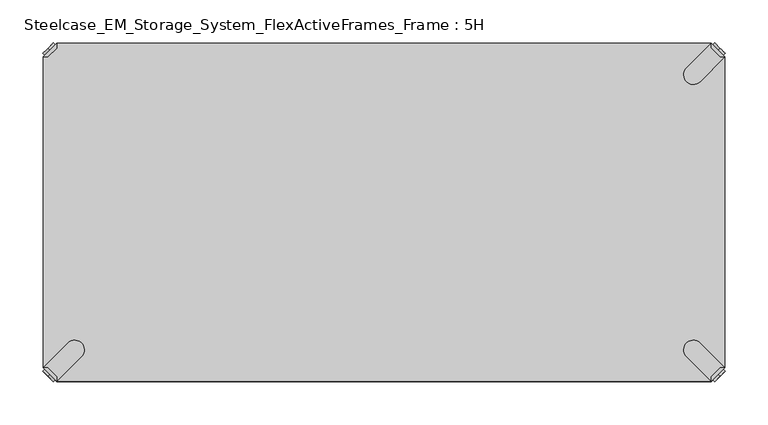
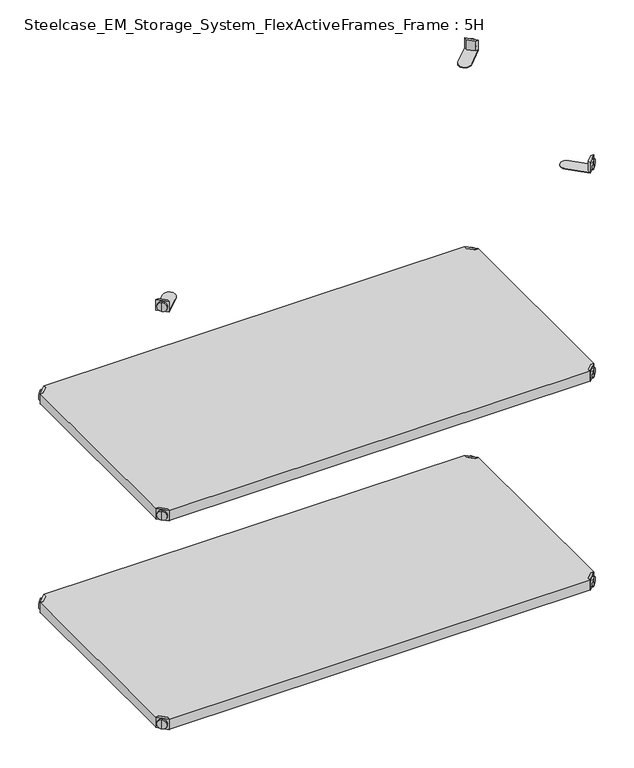
"""IFC4 building model written with IfcOpenShell, lengths in millimetres: furniture geometry, Steelcase_EM_Storage_System_FlexActiveFrames_Frame : 5H."""

from ifc_helpers import new_model, si_unit, frame, origin, place, context, project, spatial, polyline, circle_curve, outline, extrude, source, transform, mapped, element, save
from ifc_brep_helpers import plane_surface, cylinder_surface, advanced_brep


def steelcase_em_storage_system_flexactiveframes_frame_5h_38473c17(model_context):
    return source(origin(), model_context, "Body", "SolidModel", [
        advanced_brep(
        [(789.0398449, -10.9601551, 498.5), (789.0398449, -10.9601551, 507.0), (789.0398449, -10.9601551, 515.5), (791.1611652, -8.8388348, 498.5), (791.1611652, -8.8388348, 515.5), (791.1611652, -8.8388348, 507.0)],
        [
            (0, 1),
            (1, 2),
            (2, 0, circle_curve(frame((789.0398449, -10.9601551, 507.0), z_axis=(-0.7071067811865556, -0.7071067811865395, 0.0), x_axis=(0.0, 0.0, 1.0)), 8.5)),
            (0, 2, circle_curve(frame((789.0398449, -10.9601551, 507.0), z_axis=(-0.7071067811865556, -0.7071067811865395, 0.0), x_axis=(0.0, 0.0, 1.0)), 8.5)),
            (3, 0),
            (2, 4),
            (4, 3, circle_curve(frame((791.1611652, -8.8388348, 507.0), z_axis=(-0.7071067811865556, -0.7071067811865395, 0.0), x_axis=(0.0, 0.0, 1.0)), 8.5)),
            (3, 4, circle_curve(frame((791.1611652, -8.8388348, 507.0), z_axis=(-0.7071067811865556, -0.7071067811865395, 0.0), x_axis=(0.0, 0.0, 1.0)), 8.5)),
            (5, 3),
            (4, 5),
        ],
        [
            plane_surface(frame((789.0398449, -10.9601551, 507.0), z_axis=(-0.7071067811865552, -0.7071067811865399, 0.0), x_axis=(0.0, 0.0, 1.0))),
            cylinder_surface(frame((791.1611652, -8.8388348, 507.0), z_axis=(0.7071067811865556, 0.7071067811865395, 0.0), x_axis=(0.0, 0.0, 1.0)), 8.5),
            plane_surface(frame((791.1611652, -8.8388348, 507.0), z_axis=(0.7071067811865552, 0.7071067811865399, 0.0), x_axis=(0.0, 0.0, 1.0))),
        ],
        [
            (0, [[1, 2, 3]]),
            (0, [[-2, -1, 4]]),
            (1, [[5, -3, 6, 7]]),
            (1, [[-6, -4, -5, 8]]),
            (2, [[9, -7, 10]]),
            (2, [[-10, -8, -9]]),
        ],
    ),
        advanced_brep(
        [(781.0796898, -3.0, 517.0), (781.0796898, -8.6568542, 517.0), (791.3431458, -18.9203102, 517.0), (797.0, -18.9203102, 517.0), (797.0, -18.9203102, 498.0), (797.0, -18.9203102, 497.0), (781.0796898, -3.0, 497.0), (781.0796898, -3.0, 498.0), (781.0796898, -8.6568542, 498.0), (791.3431458, -18.9203102, 498.0), (752.2702923, -31.8093975, 498.0), (768.1906025, -47.7297077, 498.0), (768.1906025, -47.7297077, 497.0), (752.2702923, -31.8093975, 497.0)],
        [
            (0, 1),
            (1, 2),
            (2, 3),
            (3, 0),
            (3, 4),
            (4, 5),
            (5, 6),
            (6, 7),
            (7, 0),
            (1, 8),
            (8, 9),
            (9, 2),
            (7, 8),
            (9, 4),
            (7, 10),
            (10, 11, circle_curve(frame((760.2304474, -39.7695526, 498.0), z_axis=(0.0, 0.0, 1.0), x_axis=(-1.0, 0.0, 0.0)), 11.2573593)),
            (11, 4),
            (5, 12),
            (12, 13, circle_curve(frame((760.2304474, -39.7695526, 497.0), z_axis=(0.0, 0.0, -1.0), x_axis=(-1.0, 0.0, 0.0)), 11.2573593)),
            (13, 6),
            (11, 12),
            (10, 13),
        ],
        [
            plane_surface(frame((838.8756299, -60.7959401, 517.0), z_axis=(0.0, 0.0, 1.0000000000000002), x_axis=(0.7071067811865465, -0.7071067811865487, 0.0))),
            plane_surface(frame((781.0796898, -3.0, 517.0), z_axis=(0.7071067811865487, 0.7071067811865465, 0.0), x_axis=(0.0, 0.0, -1.0))),
            plane_surface(frame((791.3431458, -18.9203102, 517.0), z_axis=(-0.7071067811865573, -0.7071067811865377, 0.0), x_axis=(0.0, 0.0, -1.0))),
            plane_surface(frame((781.0796898, -8.6568542, 517.0), z_axis=(-1.0, 0.0, 0.0), x_axis=(0.0, 0.0, -1.0))),
            plane_surface(frame((797.0, -18.9203102, 517.0), z_axis=(0.0, -1.0, 0.0), x_axis=(0.0, 0.0, -1.0))),
            plane_surface(frame((797.0, -18.9203102, 498.0), z_axis=(0.0, 0.0, 1.0), x_axis=(0.7071067811865392, -0.7071067811865558, 0.0))),
            plane_surface(frame((797.0, -18.9203102, 497.0), z_axis=(0.0, 0.0, -1.0), x_axis=(-0.7071067811865392, 0.7071067811865558, 0.0))),
            plane_surface(frame((797.0, -18.9203102, 498.0), z_axis=(0.7071067811865399, -0.7071067811865552, 0.0), x_axis=(0.0, 0.0, -1.0))),
            cylinder_surface(frame((760.2304474, -39.7695526, 497.0), z_axis=(0.0, 0.0, 1.0), x_axis=(-1.0, 0.0, 0.0)), 11.2573593),
            plane_surface(frame((752.2702923, -31.8093975, 498.0), z_axis=(-0.7071067811865388, 0.7071067811865563, 0.0), x_axis=(0.0, 0.0, -1.0))),
        ],
        [
            (0, [[1, 2, 3, 4]]),
            (1, [[5, 6, 7, 8, 9, -4]]),
            (2, [[10, 11, 12, -2]]),
            (3, [[-9, 13, -10, -1]]),
            (4, [[-12, 14, -5, -3]]),
            (5, [[-14, -11, -13, 15, 16, 17]]),
            (6, [[-7, 18, 19, 20]]),
            (7, [[21, -18, -6, -17]]),
            (8, [[22, -19, -21, -16]]),
            (9, [[-8, -20, -22, -15]]),
        ],
    ),
        advanced_brep(
        [(789.0398449, -389.0398449, 498.5), (789.0398449, -389.0398449, 515.5), (789.0398449, -389.0398449, 507.0), (791.1611652, -391.1611652, 498.5), (791.1611652, -391.1611652, 515.5), (791.1611652, -391.1611652, 507.0)],
        [
            (0, 1, circle_curve(frame((789.0398449, -389.0398449, 507.0), z_axis=(-0.7071067811865509, 0.7071067811865441, 0.0), x_axis=(0.0, 0.0, 1.0)), 8.5)),
            (1, 2),
            (2, 0),
            (1, 0, circle_curve(frame((789.0398449, -389.0398449, 507.0), z_axis=(-0.7071067811865509, 0.7071067811865441, 0.0), x_axis=(0.0, 0.0, 1.0)), 8.5)),
            (3, 4, circle_curve(frame((791.1611652, -391.1611652, 507.0), z_axis=(-0.7071067811865509, 0.7071067811865441, 0.0), x_axis=(0.0, 0.0, 1.0)), 8.5)),
            (4, 1),
            (0, 3),
            (4, 3, circle_curve(frame((791.1611652, -391.1611652, 507.0), z_axis=(-0.7071067811865509, 0.7071067811865441, 0.0), x_axis=(0.0, 0.0, 1.0)), 8.5)),
            (5, 4),
            (3, 5),
        ],
        [
            plane_surface(frame((789.0398449, -389.0398449, 507.0), z_axis=(-0.7071067811865506, 0.7071067811865446, 0.0), x_axis=(0.0, 0.0, 1.0))),
            cylinder_surface(frame((791.1611652, -391.1611652, 507.0), z_axis=(0.7071067811865509, -0.7071067811865441, 0.0), x_axis=(0.0, 0.0, 1.0)), 8.5),
            plane_surface(frame((791.1611652, -391.1611652, 507.0), z_axis=(0.7071067811865506, -0.7071067811865446, 0.0), x_axis=(0.0, 0.0, 1.0))),
        ],
        [
            (0, [[1, 2, 3]]),
            (0, [[4, -3, -2]]),
            (1, [[5, 6, -1, 7]]),
            (1, [[8, -7, -4, -6]]),
            (2, [[9, -5, 10]]),
            (2, [[-10, -8, -9]]),
        ],
    ),
        advanced_brep(
        [(781.0796898, -397.0, 517.0), (797.0, -381.0796898, 517.0), (791.3431458, -381.0796898, 517.0), (781.0796898, -391.3431458, 517.0), (781.0796898, -397.0, 498.0), (781.0796898, -397.0, 497.0), (797.0, -381.0796898, 497.0), (797.0, -381.0796898, 498.0), (791.3431458, -381.0796898, 498.0), (781.0796898, -391.3431458, 498.0), (768.1906025, -352.2702923, 498.0), (752.2702923, -368.1906025, 498.0), (752.2702923, -368.1906025, 497.0), (768.1906025, -352.2702923, 497.0)],
        [
            (0, 1),
            (1, 2),
            (2, 3),
            (3, 0),
            (0, 4),
            (4, 5),
            (5, 6),
            (6, 7),
            (7, 1),
            (2, 8),
            (8, 9),
            (9, 3),
            (9, 4),
            (7, 8),
            (7, 10),
            (10, 11, circle_curve(frame((760.2304474, -360.2304474, 498.0), z_axis=(0.0, 0.0, 1.0), x_axis=(-1.0, 0.0, 0.0)), 11.2573593)),
            (11, 4),
            (5, 12),
            (12, 13, circle_curve(frame((760.2304474, -360.2304474, 497.0), z_axis=(0.0, 0.0, -1.0), x_axis=(-1.0, 0.0, 0.0)), 11.2573593)),
            (13, 6),
            (13, 10),
            (12, 11),
        ],
        [
            plane_surface(frame((838.8756299, -339.2040599, 517.0), z_axis=(0.0, 0.0, 1.0000000000000002), x_axis=(0.7071067811865511, 0.707106781186544, 0.0))),
            plane_surface(frame((781.0796898, -397.0, 517.0), z_axis=(0.707106781186544, -0.7071067811865511, 0.0), x_axis=(0.0, 0.0, -1.0))),
            plane_surface(frame((791.3431458, -381.0796898, 517.0), z_axis=(-0.7071067811865527, 0.7071067811865424, 0.0), x_axis=(0.0, 0.0, -1.0))),
            plane_surface(frame((781.0796898, -391.3431458, 517.0), z_axis=(-1.0, 0.0, 0.0), x_axis=(0.0, 0.0, -1.0))),
            plane_surface(frame((797.0, -381.0796898, 517.0), z_axis=(0.0, 1.0, 0.0), x_axis=(0.0, 0.0, -1.0))),
            plane_surface(frame((797.0, -381.0796898, 498.0), z_axis=(0.0, 0.0, 1.0), x_axis=(0.7071067811865439, 0.7071067811865511, 0.0))),
            plane_surface(frame((797.0, -381.0796898, 497.0), z_axis=(0.0, 0.0, -1.0), x_axis=(-0.7071067811865439, -0.7071067811865511, 0.0))),
            plane_surface(frame((797.0, -381.0796898, 498.0), z_axis=(0.7071067811865446, 0.7071067811865506, 0.0), x_axis=(0.0, 0.0, -1.0))),
            cylinder_surface(frame((760.2304474, -360.2304474, 497.0), z_axis=(0.0, 0.0, 1.0), x_axis=(-1.0, 0.0, 0.0)), 11.2573593),
            plane_surface(frame((752.2702923, -368.1906025, 498.0), z_axis=(-0.7071067811865435, -0.7071067811865517, 0.0), x_axis=(0.0, 0.0, -1.0))),
        ],
        [
            (0, [[1, 2, 3, 4]]),
            (1, [[-1, 5, 6, 7, 8, 9]]),
            (2, [[-3, 10, 11, 12]]),
            (3, [[-4, -12, 13, -5]]),
            (4, [[-2, -9, 14, -10]]),
            (5, [[15, 16, 17, -13, -11, -14]]),
            (6, [[18, 19, 20, -7]]),
            (7, [[-15, -8, -20, 21]]),
            (8, [[-16, -21, -19, 22]]),
            (9, [[-17, -22, -18, -6]]),
        ],
    ),
        advanced_brep(
        [(10.9601551, -389.0398449, 498.5), (10.9601551, -389.0398449, 507.0), (10.9601551, -389.0398449, 515.5), (8.8388348, -391.1611652, 498.5), (8.8388348, -391.1611652, 515.5), (8.8388348, -391.1611652, 507.0)],
        [
            (0, 1),
            (1, 2),
            (2, 0, circle_curve(frame((10.9601551, -389.0398449, 507.0), z_axis=(0.7071067811865509, 0.7071067811865441, 0.0), x_axis=(0.0, 0.0, 1.0)), 8.5)),
            (0, 2, circle_curve(frame((10.9601551, -389.0398449, 507.0), z_axis=(0.7071067811865509, 0.7071067811865441, 0.0), x_axis=(0.0, 0.0, 1.0)), 8.5)),
            (3, 0),
            (2, 4),
            (4, 3, circle_curve(frame((8.8388348, -391.1611652, 507.0), z_axis=(0.7071067811865509, 0.7071067811865441, 0.0), x_axis=(0.0, 0.0, 1.0)), 8.5)),
            (3, 4, circle_curve(frame((8.8388348, -391.1611652, 507.0), z_axis=(0.7071067811865509, 0.7071067811865441, 0.0), x_axis=(0.0, 0.0, 1.0)), 8.5)),
            (5, 3),
            (4, 5),
        ],
        [
            plane_surface(frame((10.9601551, -389.0398449, 507.0), z_axis=(0.7071067811865506, 0.7071067811865446, 0.0), x_axis=(0.0, 0.0, 1.0))),
            cylinder_surface(frame((8.8388348, -391.1611652, 507.0), z_axis=(-0.7071067811865509, -0.7071067811865441, 0.0), x_axis=(0.0, 0.0, 1.0)), 8.5),
            plane_surface(frame((8.8388348, -391.1611652, 507.0), z_axis=(-0.7071067811865506, -0.7071067811865446, 0.0), x_axis=(0.0, 0.0, 1.0))),
        ],
        [
            (0, [[1, 2, 3]]),
            (0, [[-2, -1, 4]]),
            (1, [[5, -3, 6, 7]]),
            (1, [[-6, -4, -5, 8]]),
            (2, [[9, -7, 10]]),
            (2, [[-10, -8, -9]]),
        ],
    ),
        advanced_brep(
        [(18.9203102, -397.0, 517.0), (18.9203102, -391.3431458, 517.0), (8.6568542, -381.0796898, 517.0), (3.0, -381.0796898, 517.0), (3.0, -381.0796898, 498.0), (3.0, -381.0796898, 497.0), (18.9203102, -397.0, 497.0), (18.9203102, -397.0, 498.0), (18.9203102, -391.3431458, 498.0), (8.6568542, -381.0796898, 498.0), (47.7297077, -368.1906025, 498.0), (31.8093975, -352.2702923, 498.0), (31.8093975, -352.2702923, 497.0), (47.7297077, -368.1906025, 497.0)],
        [
            (0, 1),
            (1, 2),
            (2, 3),
            (3, 0),
            (3, 4),
            (4, 5),
            (5, 6),
            (6, 7),
            (7, 0),
            (1, 8),
            (8, 9),
            (9, 2),
            (7, 8),
            (9, 4),
            (7, 10),
            (10, 11, circle_curve(frame((39.7695526, -360.2304474, 498.0), z_axis=(0.0, 0.0, 1.0), x_axis=(1.0, 0.0, 0.0)), 11.2573593)),
            (11, 4),
            (5, 12),
            (12, 13, circle_curve(frame((39.7695526, -360.2304474, 497.0), z_axis=(0.0, 0.0, -1.0), x_axis=(1.0, 0.0, 0.0)), 11.2573593)),
            (13, 6),
            (11, 12),
            (10, 13),
        ],
        [
            plane_surface(frame((-38.8756299, -339.2040599, 517.0), z_axis=(0.0, 0.0, 1.0000000000000002), x_axis=(-0.7071067811865511, 0.707106781186544, 0.0))),
            plane_surface(frame((18.9203102, -397.0, 517.0), z_axis=(-0.707106781186544, -0.7071067811865511, 0.0), x_axis=(0.0, 0.0, -1.0))),
            plane_surface(frame((8.6568542, -381.0796898, 517.0), z_axis=(0.7071067811865527, 0.7071067811865424, 0.0), x_axis=(0.0, 0.0, -1.0))),
            plane_surface(frame((18.9203102, -391.3431458, 517.0), z_axis=(1.0, 0.0, 0.0), x_axis=(0.0, 0.0, -1.0))),
            plane_surface(frame((3.0, -381.0796898, 517.0), z_axis=(0.0, 1.0, 0.0), x_axis=(0.0, 0.0, -1.0))),
            plane_surface(frame((3.0, -381.0796898, 498.0), z_axis=(0.0, 0.0, 1.0), x_axis=(-0.7071067811865439, 0.7071067811865511, 0.0))),
            plane_surface(frame((3.0, -381.0796898, 497.0), z_axis=(0.0, 0.0, -1.0), x_axis=(0.7071067811865439, -0.7071067811865511, 0.0))),
            plane_surface(frame((3.0, -381.0796898, 498.0), z_axis=(-0.7071067811865446, 0.7071067811865506, 0.0), x_axis=(0.0, 0.0, -1.0))),
            cylinder_surface(frame((39.7695526, -360.2304474, 497.0), z_axis=(0.0, 0.0, 1.0), x_axis=(1.0, 0.0, 0.0)), 11.2573593),
            plane_surface(frame((47.7297077, -368.1906025, 498.0), z_axis=(0.7071067811865435, -0.7071067811865517, 0.0), x_axis=(0.0, 0.0, -1.0))),
        ],
        [
            (0, [[1, 2, 3, 4]]),
            (1, [[5, 6, 7, 8, 9, -4]]),
            (2, [[10, 11, 12, -2]]),
            (3, [[-9, 13, -10, -1]]),
            (4, [[-12, 14, -5, -3]]),
            (5, [[-14, -11, -13, 15, 16, 17]]),
            (6, [[-7, 18, 19, 20]]),
            (7, [[21, -18, -6, -17]]),
            (8, [[22, -19, -21, -16]]),
            (9, [[-8, -20, -22, -15]]),
        ],
    ),
        advanced_brep(
        [(10.9601551, -10.9601551, 498.5), (10.9601551, -10.9601551, 515.5), (10.9601551, -10.9601551, 507.0), (8.8388348, -8.8388348, 498.5), (8.8388348, -8.8388348, 515.5), (8.8388348, -8.8388348, 507.0)],
        [
            (0, 1, circle_curve(frame((10.9601551, -10.9601551, 507.0), z_axis=(0.7071067811865464, -0.7071067811865487, 0.0), x_axis=(0.0, 0.0, 1.0)), 8.5)),
            (1, 2),
            (2, 0),
            (1, 0, circle_curve(frame((10.9601551, -10.9601551, 507.0), z_axis=(0.7071067811865464, -0.7071067811865487, 0.0), x_axis=(0.0, 0.0, 1.0)), 8.5)),
            (3, 4, circle_curve(frame((8.8388348, -8.8388348, 507.0), z_axis=(0.7071067811865464, -0.7071067811865487, 0.0), x_axis=(0.0, 0.0, 1.0)), 8.5)),
            (4, 1),
            (0, 3),
            (4, 3, circle_curve(frame((8.8388348, -8.8388348, 507.0), z_axis=(0.7071067811865464, -0.7071067811865487, 0.0), x_axis=(0.0, 0.0, 1.0)), 8.5)),
            (5, 4),
            (3, 5),
        ],
        [
            plane_surface(frame((10.9601551, -10.9601551, 507.0), z_axis=(0.707106781186546, -0.7071067811865491, 0.0), x_axis=(0.0, 0.0, 1.0))),
            cylinder_surface(frame((8.8388348, -8.8388348, 507.0), z_axis=(-0.7071067811865464, 0.7071067811865487, 0.0), x_axis=(0.0, 0.0, 1.0)), 8.5),
            plane_surface(frame((8.8388348, -8.8388348, 507.0), z_axis=(-0.707106781186546, 0.7071067811865491, 0.0), x_axis=(0.0, 0.0, 1.0))),
        ],
        [
            (0, [[1, 2, 3]]),
            (0, [[4, -3, -2]]),
            (1, [[5, 6, -1, 7]]),
            (1, [[8, -7, -4, -6]]),
            (2, [[9, -5, 10]]),
            (2, [[-10, -8, -9]]),
        ],
    ),
        advanced_brep(
        [(18.9203102, -3.0, 517.0), (3.0, -18.9203102, 517.0), (8.6568542, -18.9203102, 517.0), (18.9203102, -8.6568542, 517.0), (18.9203102, -3.0, 498.0), (18.9203102, -3.0, 497.0), (3.0, -18.9203102, 497.0), (3.0, -18.9203102, 498.0), (8.6568542, -18.9203102, 498.0), (18.9203102, -8.6568542, 498.0), (31.8093975, -47.7297077, 498.0), (47.7297077, -31.8093975, 498.0), (47.7297077, -31.8093975, 497.0), (31.8093975, -47.7297077, 497.0)],
        [
            (0, 1),
            (1, 2),
            (2, 3),
            (3, 0),
            (0, 4),
            (4, 5),
            (5, 6),
            (6, 7),
            (7, 1),
            (2, 8),
            (8, 9),
            (9, 3),
            (9, 4),
            (7, 8),
            (7, 10),
            (10, 11, circle_curve(frame((39.7695526, -39.7695526, 498.0), z_axis=(0.0, 0.0, 1.0), x_axis=(1.0, 0.0, 0.0)), 11.2573593)),
            (11, 4),
            (5, 12),
            (12, 13, circle_curve(frame((39.7695526, -39.7695526, 497.0), z_axis=(0.0, 0.0, -1.0), x_axis=(1.0, 0.0, 0.0)), 11.2573593)),
            (13, 6),
            (13, 10),
            (12, 11),
        ],
        [
            plane_surface(frame((-38.8756299, -60.7959401, 517.0), z_axis=(0.0, 0.0, 1.0000000000000002), x_axis=(-0.7071067811865557, -0.7071067811865395, 0.0))),
            plane_surface(frame((18.9203102, -3.0, 517.0), z_axis=(-0.7071067811865395, 0.7071067811865557, 0.0), x_axis=(0.0, 0.0, -1.0))),
            plane_surface(frame((8.6568542, -18.9203102, 517.0), z_axis=(0.7071067811865481, -0.7071067811865469, 0.0), x_axis=(0.0, 0.0, -1.0))),
            plane_surface(frame((18.9203102, -8.6568542, 517.0), z_axis=(1.0, 0.0, 0.0), x_axis=(0.0, 0.0, -1.0))),
            plane_surface(frame((3.0, -18.9203102, 517.0), z_axis=(0.0, -1.0, 0.0), x_axis=(0.0, 0.0, -1.0))),
            plane_surface(frame((3.0, -18.9203102, 498.0), z_axis=(0.0, 0.0, 1.0), x_axis=(-0.7071067811865485, -0.7071067811865466, 0.0))),
            plane_surface(frame((3.0, -18.9203102, 497.0), z_axis=(0.0, 0.0, -1.0), x_axis=(0.7071067811865485, 0.7071067811865466, 0.0))),
            plane_surface(frame((3.0, -18.9203102, 498.0), z_axis=(-0.7071067811865491, -0.707106781186546, 0.0), x_axis=(0.0, 0.0, -1.0))),
            cylinder_surface(frame((39.7695526, -39.7695526, 497.0), z_axis=(0.0, 0.0, 1.0), x_axis=(1.0, 0.0, 0.0)), 11.2573593),
            plane_surface(frame((47.7297077, -31.8093975, 498.0), z_axis=(0.707106781186548, 0.7071067811865471, 0.0), x_axis=(0.0, 0.0, -1.0))),
        ],
        [
            (0, [[1, 2, 3, 4]]),
            (1, [[-1, 5, 6, 7, 8, 9]]),
            (2, [[-3, 10, 11, 12]]),
            (3, [[-4, -12, 13, -5]]),
            (4, [[-2, -9, 14, -10]]),
            (5, [[15, 16, 17, -13, -11, -14]]),
            (6, [[18, 19, 20, -7]]),
            (7, [[-15, -8, -20, 21]]),
            (8, [[-16, -21, -19, 22]]),
            (9, [[-17, -22, -18, -6]]),
        ],
    ),
        extrude(outline(polyline([(781.0796898, -3.0), (781.0796898, -8.6568542), (791.3431458, -18.9203102), (797.0, -18.9203102), (797.0, -381.0796898), (791.3431458, -381.0796898), (781.0796898, -391.3431458), (781.0796898, -397.0), (18.9203102, -397.0), (18.9203102, -391.3431458), (8.6568542, -381.0796898), (3.0, -381.0796898), (3.0, -18.9203102), (8.6568542, -18.9203102), (18.9203102, -8.6568542), (18.9203102, -3.0), (781.0796898, -3.0)])), frame((0.0, 0.0, 498.0), z_axis=(0.0, 0.0, 1.0), x_axis=(1.0, 0.0, 0.0)), (0.0, 0.0, 1.0), 19.0),
        advanced_brep(
        [(789.0398449, -10.9601551, 898.5), (789.0398449, -10.9601551, 907.0), (789.0398449, -10.9601551, 915.5), (791.1611652, -8.8388348, 898.5), (791.1611652, -8.8388348, 915.5), (791.1611652, -8.8388348, 907.0)],
        [
            (0, 1),
            (1, 2),
            (2, 0, circle_curve(frame((789.0398449, -10.9601551, 907.0), z_axis=(-0.7071067811865556, -0.7071067811865395, 0.0), x_axis=(0.0, 0.0, 1.0)), 8.5)),
            (0, 2, circle_curve(frame((789.0398449, -10.9601551, 907.0), z_axis=(-0.7071067811865556, -0.7071067811865395, 0.0), x_axis=(0.0, 0.0, 1.0)), 8.5)),
            (3, 0),
            (2, 4),
            (4, 3, circle_curve(frame((791.1611652, -8.8388348, 907.0), z_axis=(-0.7071067811865556, -0.7071067811865395, 0.0), x_axis=(0.0, 0.0, 1.0)), 8.5)),
            (3, 4, circle_curve(frame((791.1611652, -8.8388348, 907.0), z_axis=(-0.7071067811865556, -0.7071067811865395, 0.0), x_axis=(0.0, 0.0, 1.0)), 8.5)),
            (5, 3),
            (4, 5),
        ],
        [
            plane_surface(frame((789.0398449, -10.9601551, 907.0), z_axis=(-0.7071067811865552, -0.7071067811865399, 0.0), x_axis=(0.0, 0.0, 1.0))),
            cylinder_surface(frame((791.1611652, -8.8388348, 907.0), z_axis=(0.7071067811865556, 0.7071067811865395, 0.0), x_axis=(0.0, 0.0, 1.0)), 8.5),
            plane_surface(frame((791.1611652, -8.8388348, 907.0), z_axis=(0.7071067811865552, 0.7071067811865399, 0.0), x_axis=(0.0, 0.0, 1.0))),
        ],
        [
            (0, [[1, 2, 3]]),
            (0, [[-2, -1, 4]]),
            (1, [[5, -3, 6, 7]]),
            (1, [[-6, -4, -5, 8]]),
            (2, [[9, -7, 10]]),
            (2, [[-10, -8, -9]]),
        ],
    ),
        advanced_brep(
        [(781.0796898, -3.0, 917.0), (781.0796898, -8.6568542, 917.0), (791.3431458, -18.9203102, 917.0), (797.0, -18.9203102, 917.0), (797.0, -18.9203102, 898.0), (797.0, -18.9203102, 897.0), (781.0796898, -3.0, 897.0), (781.0796898, -3.0, 898.0), (781.0796898, -8.6568542, 898.0), (791.3431458, -18.9203102, 898.0), (752.2702923, -31.8093975, 898.0), (768.1906025, -47.7297077, 898.0), (768.1906025, -47.7297077, 897.0), (752.2702923, -31.8093975, 897.0)],
        [
            (0, 1),
            (1, 2),
            (2, 3),
            (3, 0),
            (3, 4),
            (4, 5),
            (5, 6),
            (6, 7),
            (7, 0),
            (1, 8),
            (8, 9),
            (9, 2),
            (7, 8),
            (9, 4),
            (7, 10),
            (10, 11, circle_curve(frame((760.2304474, -39.7695526, 898.0), z_axis=(0.0, 0.0, 1.0), x_axis=(-1.0, 0.0, 0.0)), 11.2573593)),
            (11, 4),
            (5, 12),
            (12, 13, circle_curve(frame((760.2304474, -39.7695526, 897.0), z_axis=(0.0, 0.0, -1.0), x_axis=(-1.0, 0.0, 0.0)), 11.2573593)),
            (13, 6),
            (11, 12),
            (10, 13),
        ],
        [
            plane_surface(frame((838.8756299, -60.7959401, 917.0), z_axis=(0.0, 0.0, 1.0000000000000002), x_axis=(0.7071067811865465, -0.7071067811865487, 0.0))),
            plane_surface(frame((781.0796898, -3.0, 917.0), z_axis=(0.7071067811865487, 0.7071067811865465, 0.0), x_axis=(0.0, 0.0, -1.0))),
            plane_surface(frame((791.3431458, -18.9203102, 917.0), z_axis=(-0.7071067811865573, -0.7071067811865377, 0.0), x_axis=(0.0, 0.0, -1.0))),
            plane_surface(frame((781.0796898, -8.6568542, 917.0), z_axis=(-1.0, 0.0, 0.0), x_axis=(0.0, 0.0, -1.0))),
            plane_surface(frame((797.0, -18.9203102, 917.0), z_axis=(0.0, -1.0, 0.0), x_axis=(0.0, 0.0, -1.0))),
            plane_surface(frame((797.0, -18.9203102, 898.0), z_axis=(0.0, 0.0, 1.0), x_axis=(0.7071067811865392, -0.7071067811865558, 0.0))),
            plane_surface(frame((797.0, -18.9203102, 897.0), z_axis=(0.0, 0.0, -1.0), x_axis=(-0.7071067811865392, 0.7071067811865558, 0.0))),
            plane_surface(frame((797.0, -18.9203102, 898.0), z_axis=(0.7071067811865399, -0.7071067811865552, 0.0), x_axis=(0.0, 0.0, -1.0))),
            cylinder_surface(frame((760.2304474, -39.7695526, 897.0), z_axis=(0.0, 0.0, 1.0), x_axis=(-1.0, 0.0, 0.0)), 11.2573593),
            plane_surface(frame((752.2702923, -31.8093975, 898.0), z_axis=(-0.7071067811865388, 0.7071067811865563, 0.0), x_axis=(0.0, 0.0, -1.0))),
        ],
        [
            (0, [[1, 2, 3, 4]]),
            (1, [[5, 6, 7, 8, 9, -4]]),
            (2, [[10, 11, 12, -2]]),
            (3, [[-9, 13, -10, -1]]),
            (4, [[-12, 14, -5, -3]]),
            (5, [[-14, -11, -13, 15, 16, 17]]),
            (6, [[-7, 18, 19, 20]]),
            (7, [[21, -18, -6, -17]]),
            (8, [[22, -19, -21, -16]]),
            (9, [[-8, -20, -22, -15]]),
        ],
    ),
        advanced_brep(
        [(789.0398449, -389.0398449, 898.5), (789.0398449, -389.0398449, 915.5), (789.0398449, -389.0398449, 907.0), (791.1611652, -391.1611652, 898.5), (791.1611652, -391.1611652, 915.5), (791.1611652, -391.1611652, 907.0)],
        [
            (0, 1, circle_curve(frame((789.0398449, -389.0398449, 907.0), z_axis=(-0.7071067811865509, 0.7071067811865441, 0.0), x_axis=(0.0, 0.0, 1.0)), 8.5)),
            (1, 2),
            (2, 0),
            (1, 0, circle_curve(frame((789.0398449, -389.0398449, 907.0), z_axis=(-0.7071067811865509, 0.7071067811865441, 0.0), x_axis=(0.0, 0.0, 1.0)), 8.5)),
            (3, 4, circle_curve(frame((791.1611652, -391.1611652, 907.0), z_axis=(-0.7071067811865509, 0.7071067811865441, 0.0), x_axis=(0.0, 0.0, 1.0)), 8.5)),
            (4, 1),
            (0, 3),
            (4, 3, circle_curve(frame((791.1611652, -391.1611652, 907.0), z_axis=(-0.7071067811865509, 0.7071067811865441, 0.0), x_axis=(0.0, 0.0, 1.0)), 8.5)),
            (5, 4),
            (3, 5),
        ],
        [
            plane_surface(frame((789.0398449, -389.0398449, 907.0), z_axis=(-0.7071067811865506, 0.7071067811865446, 0.0), x_axis=(0.0, 0.0, 1.0))),
            cylinder_surface(frame((791.1611652, -391.1611652, 907.0), z_axis=(0.7071067811865509, -0.7071067811865441, 0.0), x_axis=(0.0, 0.0, 1.0)), 8.5),
            plane_surface(frame((791.1611652, -391.1611652, 907.0), z_axis=(0.7071067811865506, -0.7071067811865446, 0.0), x_axis=(0.0, 0.0, 1.0))),
        ],
        [
            (0, [[1, 2, 3]]),
            (0, [[4, -3, -2]]),
            (1, [[5, 6, -1, 7]]),
            (1, [[8, -7, -4, -6]]),
            (2, [[9, -5, 10]]),
            (2, [[-10, -8, -9]]),
        ],
    ),
        advanced_brep(
        [(781.0796898, -397.0, 917.0), (797.0, -381.0796898, 917.0), (791.3431458, -381.0796898, 917.0), (781.0796898, -391.3431458, 917.0), (781.0796898, -397.0, 898.0), (781.0796898, -397.0, 897.0), (797.0, -381.0796898, 897.0), (797.0, -381.0796898, 898.0), (791.3431458, -381.0796898, 898.0), (781.0796898, -391.3431458, 898.0), (768.1906025, -352.2702923, 898.0), (752.2702923, -368.1906025, 898.0), (752.2702923, -368.1906025, 897.0), (768.1906025, -352.2702923, 897.0)],
        [
            (0, 1),
            (1, 2),
            (2, 3),
            (3, 0),
            (0, 4),
            (4, 5),
            (5, 6),
            (6, 7),
            (7, 1),
            (2, 8),
            (8, 9),
            (9, 3),
            (9, 4),
            (7, 8),
            (7, 10),
            (10, 11, circle_curve(frame((760.2304474, -360.2304474, 898.0), z_axis=(0.0, 0.0, 1.0), x_axis=(-1.0, 0.0, 0.0)), 11.2573593)),
            (11, 4),
            (5, 12),
            (12, 13, circle_curve(frame((760.2304474, -360.2304474, 897.0), z_axis=(0.0, 0.0, -1.0), x_axis=(-1.0, 0.0, 0.0)), 11.2573593)),
            (13, 6),
            (13, 10),
            (12, 11),
        ],
        [
            plane_surface(frame((838.8756299, -339.2040599, 917.0), z_axis=(0.0, 0.0, 1.0000000000000002), x_axis=(0.7071067811865511, 0.707106781186544, 0.0))),
            plane_surface(frame((781.0796898, -397.0, 917.0), z_axis=(0.707106781186544, -0.7071067811865511, 0.0), x_axis=(0.0, 0.0, -1.0))),
            plane_surface(frame((791.3431458, -381.0796898, 917.0), z_axis=(-0.7071067811865527, 0.7071067811865424, 0.0), x_axis=(0.0, 0.0, -1.0))),
            plane_surface(frame((781.0796898, -391.3431458, 917.0), z_axis=(-1.0, 0.0, 0.0), x_axis=(0.0, 0.0, -1.0))),
            plane_surface(frame((797.0, -381.0796898, 917.0), z_axis=(0.0, 1.0, 0.0), x_axis=(0.0, 0.0, -1.0))),
            plane_surface(frame((797.0, -381.0796898, 898.0), z_axis=(0.0, 0.0, 1.0), x_axis=(0.7071067811865439, 0.7071067811865511, 0.0))),
            plane_surface(frame((797.0, -381.0796898, 897.0), z_axis=(0.0, 0.0, -1.0), x_axis=(-0.7071067811865439, -0.7071067811865511, 0.0))),
            plane_surface(frame((797.0, -381.0796898, 898.0), z_axis=(0.7071067811865446, 0.7071067811865506, 0.0), x_axis=(0.0, 0.0, -1.0))),
            cylinder_surface(frame((760.2304474, -360.2304474, 897.0), z_axis=(0.0, 0.0, 1.0), x_axis=(-1.0, 0.0, 0.0)), 11.2573593),
            plane_surface(frame((752.2702923, -368.1906025, 898.0), z_axis=(-0.7071067811865435, -0.7071067811865517, 0.0), x_axis=(0.0, 0.0, -1.0))),
        ],
        [
            (0, [[1, 2, 3, 4]]),
            (1, [[-1, 5, 6, 7, 8, 9]]),
            (2, [[-3, 10, 11, 12]]),
            (3, [[-4, -12, 13, -5]]),
            (4, [[-2, -9, 14, -10]]),
            (5, [[15, 16, 17, -13, -11, -14]]),
            (6, [[18, 19, 20, -7]]),
            (7, [[-15, -8, -20, 21]]),
            (8, [[-16, -21, -19, 22]]),
            (9, [[-17, -22, -18, -6]]),
        ],
    ),
        advanced_brep(
        [(10.9601551, -389.0398449, 898.5), (10.9601551, -389.0398449, 907.0), (10.9601551, -389.0398449, 915.5), (8.8388348, -391.1611652, 898.5), (8.8388348, -391.1611652, 915.5), (8.8388348, -391.1611652, 907.0)],
        [
            (0, 1),
            (1, 2),
            (2, 0, circle_curve(frame((10.9601551, -389.0398449, 907.0), z_axis=(0.7071067811865509, 0.7071067811865441, 0.0), x_axis=(0.0, 0.0, 1.0)), 8.5)),
            (0, 2, circle_curve(frame((10.9601551, -389.0398449, 907.0), z_axis=(0.7071067811865509, 0.7071067811865441, 0.0), x_axis=(0.0, 0.0, 1.0)), 8.5)),
            (3, 0),
            (2, 4),
            (4, 3, circle_curve(frame((8.8388348, -391.1611652, 907.0), z_axis=(0.7071067811865509, 0.7071067811865441, 0.0), x_axis=(0.0, 0.0, 1.0)), 8.5)),
            (3, 4, circle_curve(frame((8.8388348, -391.1611652, 907.0), z_axis=(0.7071067811865509, 0.7071067811865441, 0.0), x_axis=(0.0, 0.0, 1.0)), 8.5)),
            (5, 3),
            (4, 5),
        ],
        [
            plane_surface(frame((10.9601551, -389.0398449, 907.0), z_axis=(0.7071067811865506, 0.7071067811865446, 0.0), x_axis=(0.0, 0.0, 1.0))),
            cylinder_surface(frame((8.8388348, -391.1611652, 907.0), z_axis=(-0.7071067811865509, -0.7071067811865441, 0.0), x_axis=(0.0, 0.0, 1.0)), 8.5),
            plane_surface(frame((8.8388348, -391.1611652, 907.0), z_axis=(-0.7071067811865506, -0.7071067811865446, 0.0), x_axis=(0.0, 0.0, 1.0))),
        ],
        [
            (0, [[1, 2, 3]]),
            (0, [[-2, -1, 4]]),
            (1, [[5, -3, 6, 7]]),
            (1, [[-6, -4, -5, 8]]),
            (2, [[9, -7, 10]]),
            (2, [[-10, -8, -9]]),
        ],
    ),
        advanced_brep(
        [(18.9203102, -397.0, 917.0), (18.9203102, -391.3431458, 917.0), (8.6568542, -381.0796898, 917.0), (3.0, -381.0796898, 917.0), (3.0, -381.0796898, 898.0), (3.0, -381.0796898, 897.0), (18.9203102, -397.0, 897.0), (18.9203102, -397.0, 898.0), (18.9203102, -391.3431458, 898.0), (8.6568542, -381.0796898, 898.0), (47.7297077, -368.1906025, 898.0), (31.8093975, -352.2702923, 898.0), (31.8093975, -352.2702923, 897.0), (47.7297077, -368.1906025, 897.0)],
        [
            (0, 1),
            (1, 2),
            (2, 3),
            (3, 0),
            (3, 4),
            (4, 5),
            (5, 6),
            (6, 7),
            (7, 0),
            (1, 8),
            (8, 9),
            (9, 2),
            (7, 8),
            (9, 4),
            (7, 10),
            (10, 11, circle_curve(frame((39.7695526, -360.2304474, 898.0), z_axis=(0.0, 0.0, 1.0), x_axis=(1.0, 0.0, 0.0)), 11.2573593)),
            (11, 4),
            (5, 12),
            (12, 13, circle_curve(frame((39.7695526, -360.2304474, 897.0), z_axis=(0.0, 0.0, -1.0), x_axis=(1.0, 0.0, 0.0)), 11.2573593)),
            (13, 6),
            (11, 12),
            (10, 13),
        ],
        [
            plane_surface(frame((-38.8756299, -339.2040599, 917.0), z_axis=(0.0, 0.0, 1.0000000000000002), x_axis=(-0.7071067811865511, 0.707106781186544, 0.0))),
            plane_surface(frame((18.9203102, -397.0, 917.0), z_axis=(-0.707106781186544, -0.7071067811865511, 0.0), x_axis=(0.0, 0.0, -1.0))),
            plane_surface(frame((8.6568542, -381.0796898, 917.0), z_axis=(0.7071067811865527, 0.7071067811865424, 0.0), x_axis=(0.0, 0.0, -1.0))),
            plane_surface(frame((18.9203102, -391.3431458, 917.0), z_axis=(1.0, 0.0, 0.0), x_axis=(0.0, 0.0, -1.0))),
            plane_surface(frame((3.0, -381.0796898, 917.0), z_axis=(0.0, 1.0, 0.0), x_axis=(0.0, 0.0, -1.0))),
            plane_surface(frame((3.0, -381.0796898, 898.0), z_axis=(0.0, 0.0, 1.0), x_axis=(-0.7071067811865439, 0.7071067811865511, 0.0))),
            plane_surface(frame((3.0, -381.0796898, 897.0), z_axis=(0.0, 0.0, -1.0), x_axis=(0.7071067811865439, -0.7071067811865511, 0.0))),
            plane_surface(frame((3.0, -381.0796898, 898.0), z_axis=(-0.7071067811865446, 0.7071067811865506, 0.0), x_axis=(0.0, 0.0, -1.0))),
            cylinder_surface(frame((39.7695526, -360.2304474, 897.0), z_axis=(0.0, 0.0, 1.0), x_axis=(1.0, 0.0, 0.0)), 11.2573593),
            plane_surface(frame((47.7297077, -368.1906025, 898.0), z_axis=(0.7071067811865435, -0.7071067811865517, 0.0), x_axis=(0.0, 0.0, -1.0))),
        ],
        [
            (0, [[1, 2, 3, 4]]),
            (1, [[5, 6, 7, 8, 9, -4]]),
            (2, [[10, 11, 12, -2]]),
            (3, [[-9, 13, -10, -1]]),
            (4, [[-12, 14, -5, -3]]),
            (5, [[-14, -11, -13, 15, 16, 17]]),
            (6, [[-7, 18, 19, 20]]),
            (7, [[21, -18, -6, -17]]),
            (8, [[22, -19, -21, -16]]),
            (9, [[-8, -20, -22, -15]]),
        ],
    ),
        advanced_brep(
        [(10.9601551, -10.9601551, 898.5), (10.9601551, -10.9601551, 915.5), (10.9601551, -10.9601551, 907.0), (8.8388348, -8.8388348, 898.5), (8.8388348, -8.8388348, 915.5), (8.8388348, -8.8388348, 907.0)],
        [
            (0, 1, circle_curve(frame((10.9601551, -10.9601551, 907.0), z_axis=(0.7071067811865464, -0.7071067811865487, 0.0), x_axis=(0.0, 0.0, 1.0)), 8.5)),
            (1, 2),
            (2, 0),
            (1, 0, circle_curve(frame((10.9601551, -10.9601551, 907.0), z_axis=(0.7071067811865464, -0.7071067811865487, 0.0), x_axis=(0.0, 0.0, 1.0)), 8.5)),
            (3, 4, circle_curve(frame((8.8388348, -8.8388348, 907.0), z_axis=(0.7071067811865464, -0.7071067811865487, 0.0), x_axis=(0.0, 0.0, 1.0)), 8.5)),
            (4, 1),
            (0, 3),
            (4, 3, circle_curve(frame((8.8388348, -8.8388348, 907.0), z_axis=(0.7071067811865464, -0.7071067811865487, 0.0), x_axis=(0.0, 0.0, 1.0)), 8.5)),
            (5, 4),
            (3, 5),
        ],
        [
            plane_surface(frame((10.9601551, -10.9601551, 907.0), z_axis=(0.707106781186546, -0.7071067811865491, 0.0), x_axis=(0.0, 0.0, 1.0))),
            cylinder_surface(frame((8.8388348, -8.8388348, 907.0), z_axis=(-0.7071067811865464, 0.7071067811865487, 0.0), x_axis=(0.0, 0.0, 1.0)), 8.5),
            plane_surface(frame((8.8388348, -8.8388348, 907.0), z_axis=(-0.707106781186546, 0.7071067811865491, 0.0), x_axis=(0.0, 0.0, 1.0))),
        ],
        [
            (0, [[1, 2, 3]]),
            (0, [[4, -3, -2]]),
            (1, [[5, 6, -1, 7]]),
            (1, [[8, -7, -4, -6]]),
            (2, [[9, -5, 10]]),
            (2, [[-10, -8, -9]]),
        ],
    ),
        advanced_brep(
        [(18.9203102, -3.0, 917.0), (3.0, -18.9203102, 917.0), (8.6568542, -18.9203102, 917.0), (18.9203102, -8.6568542, 917.0), (18.9203102, -3.0, 898.0), (18.9203102, -3.0, 897.0), (3.0, -18.9203102, 897.0), (3.0, -18.9203102, 898.0), (8.6568542, -18.9203102, 898.0), (18.9203102, -8.6568542, 898.0), (31.8093975, -47.7297077, 898.0), (47.7297077, -31.8093975, 898.0), (47.7297077, -31.8093975, 897.0), (31.8093975, -47.7297077, 897.0)],
        [
            (0, 1),
            (1, 2),
            (2, 3),
            (3, 0),
            (0, 4),
            (4, 5),
            (5, 6),
            (6, 7),
            (7, 1),
            (2, 8),
            (8, 9),
            (9, 3),
            (9, 4),
            (7, 8),
            (7, 10),
            (10, 11, circle_curve(frame((39.7695526, -39.7695526, 898.0), z_axis=(0.0, 0.0, 1.0), x_axis=(1.0, 0.0, 0.0)), 11.2573593)),
            (11, 4),
            (5, 12),
            (12, 13, circle_curve(frame((39.7695526, -39.7695526, 897.0), z_axis=(0.0, 0.0, -1.0), x_axis=(1.0, 0.0, 0.0)), 11.2573593)),
            (13, 6),
            (13, 10),
            (12, 11),
        ],
        [
            plane_surface(frame((-38.8756299, -60.7959401, 917.0), z_axis=(0.0, 0.0, 1.0000000000000002), x_axis=(-0.7071067811865557, -0.7071067811865395, 0.0))),
            plane_surface(frame((18.9203102, -3.0, 917.0), z_axis=(-0.7071067811865395, 0.7071067811865557, 0.0), x_axis=(0.0, 0.0, -1.0))),
            plane_surface(frame((8.6568542, -18.9203102, 917.0), z_axis=(0.7071067811865481, -0.7071067811865469, 0.0), x_axis=(0.0, 0.0, -1.0))),
            plane_surface(frame((18.9203102, -8.6568542, 917.0), z_axis=(1.0, 0.0, 0.0), x_axis=(0.0, 0.0, -1.0))),
            plane_surface(frame((3.0, -18.9203102, 917.0), z_axis=(0.0, -1.0, 0.0), x_axis=(0.0, 0.0, -1.0))),
            plane_surface(frame((3.0, -18.9203102, 898.0), z_axis=(0.0, 0.0, 1.0), x_axis=(-0.7071067811865485, -0.7071067811865466, 0.0))),
            plane_surface(frame((3.0, -18.9203102, 897.0), z_axis=(0.0, 0.0, -1.0), x_axis=(0.7071067811865485, 0.7071067811865466, 0.0))),
            plane_surface(frame((3.0, -18.9203102, 898.0), z_axis=(-0.7071067811865491, -0.707106781186546, 0.0), x_axis=(0.0, 0.0, -1.0))),
            cylinder_surface(frame((39.7695526, -39.7695526, 897.0), z_axis=(0.0, 0.0, 1.0), x_axis=(1.0, 0.0, 0.0)), 11.2573593),
            plane_surface(frame((47.7297077, -31.8093975, 898.0), z_axis=(0.707106781186548, 0.7071067811865471, 0.0), x_axis=(0.0, 0.0, -1.0))),
        ],
        [
            (0, [[1, 2, 3, 4]]),
            (1, [[-1, 5, 6, 7, 8, 9]]),
            (2, [[-3, 10, 11, 12]]),
            (3, [[-4, -12, 13, -5]]),
            (4, [[-2, -9, 14, -10]]),
            (5, [[15, 16, 17, -13, -11, -14]]),
            (6, [[18, 19, 20, -7]]),
            (7, [[-15, -8, -20, 21]]),
            (8, [[-16, -21, -19, 22]]),
            (9, [[-17, -22, -18, -6]]),
        ],
    ),
        extrude(outline(polyline([(781.0796898, -3.0), (781.0796898, -8.6568542), (791.3431458, -18.9203102), (797.0, -18.9203102), (797.0, -381.0796898), (791.3431458, -381.0796898), (781.0796898, -391.3431458), (781.0796898, -397.0), (18.9203102, -397.0), (18.9203102, -391.3431458), (8.6568542, -381.0796898), (3.0, -381.0796898), (3.0, -18.9203102), (8.6568542, -18.9203102), (18.9203102, -8.6568542), (18.9203102, -3.0), (781.0796898, -3.0)])), frame((0.0, 0.0, 898.0), z_axis=(0.0, 0.0, 1.0), x_axis=(1.0, 0.0, 0.0)), (0.0, 0.0, 1.0), 19.0),
        advanced_brep(
        [(789.0398449, -10.9601551, 1298.5), (789.0398449, -10.9601551, 1307.0), (789.0398449, -10.9601551, 1315.5), (791.1611652, -8.8388348, 1298.5), (791.1611652, -8.8388348, 1315.5), (791.1611652, -8.8388348, 1307.0)],
        [
            (0, 1),
            (1, 2),
            (2, 0, circle_curve(frame((789.0398449, -10.9601551, 1307.0), z_axis=(-0.7071067811865556, -0.7071067811865395, 0.0), x_axis=(0.0, 0.0, 1.0)), 8.5)),
            (0, 2, circle_curve(frame((789.0398449, -10.9601551, 1307.0), z_axis=(-0.7071067811865556, -0.7071067811865395, 0.0), x_axis=(0.0, 0.0, 1.0)), 8.5)),
            (3, 0),
            (2, 4),
            (4, 3, circle_curve(frame((791.1611652, -8.8388348, 1307.0), z_axis=(-0.7071067811865556, -0.7071067811865395, 0.0), x_axis=(0.0, 0.0, 1.0)), 8.5)),
            (3, 4, circle_curve(frame((791.1611652, -8.8388348, 1307.0), z_axis=(-0.7071067811865556, -0.7071067811865395, 0.0), x_axis=(0.0, 0.0, 1.0)), 8.5)),
            (5, 3),
            (4, 5),
        ],
        [
            plane_surface(frame((789.0398449, -10.9601551, 1307.0), z_axis=(-0.7071067811865552, -0.7071067811865399, 0.0), x_axis=(0.0, 0.0, 1.0))),
            cylinder_surface(frame((791.1611652, -8.8388348, 1307.0), z_axis=(0.7071067811865556, 0.7071067811865395, 0.0), x_axis=(0.0, 0.0, 1.0)), 8.5),
            plane_surface(frame((791.1611652, -8.8388348, 1307.0), z_axis=(0.7071067811865552, 0.7071067811865399, 0.0), x_axis=(0.0, 0.0, 1.0))),
        ],
        [
            (0, [[1, 2, 3]]),
            (0, [[-2, -1, 4]]),
            (1, [[5, -3, 6, 7]]),
            (1, [[-6, -4, -5, 8]]),
            (2, [[9, -7, 10]]),
            (2, [[-10, -8, -9]]),
        ],
    ),
        advanced_brep(
        [(781.0796898, -3.0, 1317.0), (781.0796898, -8.6568542, 1317.0), (791.3431458, -18.9203102, 1317.0), (797.0, -18.9203102, 1317.0), (797.0, -18.9203102, 1298.0), (797.0, -18.9203102, 1297.0), (781.0796898, -3.0, 1297.0), (781.0796898, -3.0, 1298.0), (781.0796898, -8.6568542, 1298.0), (791.3431458, -18.9203102, 1298.0), (752.2702923, -31.8093975, 1298.0), (768.1906025, -47.7297077, 1298.0), (768.1906025, -47.7297077, 1297.0), (752.2702923, -31.8093975, 1297.0)],
        [
            (0, 1),
            (1, 2),
            (2, 3),
            (3, 0),
            (3, 4),
            (4, 5),
            (5, 6),
            (6, 7),
            (7, 0),
            (1, 8),
            (8, 9),
            (9, 2),
            (7, 8),
            (9, 4),
            (7, 10),
            (10, 11, circle_curve(frame((760.2304474, -39.7695526, 1298.0), z_axis=(0.0, 0.0, 1.0), x_axis=(-1.0, 0.0, 0.0)), 11.2573593)),
            (11, 4),
            (5, 12),
            (12, 13, circle_curve(frame((760.2304474, -39.7695526, 1297.0), z_axis=(0.0, 0.0, -1.0), x_axis=(-1.0, 0.0, 0.0)), 11.2573593)),
            (13, 6),
            (11, 12),
            (10, 13),
        ],
        [
            plane_surface(frame((838.8756299, -60.7959401, 1317.0), z_axis=(0.0, 0.0, 1.0000000000000002), x_axis=(0.7071067811865465, -0.7071067811865487, 0.0))),
            plane_surface(frame((781.0796898, -3.0, 1317.0), z_axis=(0.7071067811865487, 0.7071067811865465, 0.0), x_axis=(0.0, 0.0, -1.0))),
            plane_surface(frame((791.3431458, -18.9203102, 1317.0), z_axis=(-0.7071067811865573, -0.7071067811865377, 0.0), x_axis=(0.0, 0.0, -1.0))),
            plane_surface(frame((781.0796898, -8.6568542, 1317.0), z_axis=(-1.0, 0.0, 0.0), x_axis=(0.0, 0.0, -1.0))),
            plane_surface(frame((797.0, -18.9203102, 1317.0), z_axis=(0.0, -1.0, 0.0), x_axis=(0.0, 0.0, -1.0))),
            plane_surface(frame((797.0, -18.9203102, 1298.0), z_axis=(0.0, 0.0, 1.0), x_axis=(0.7071067811865392, -0.7071067811865558, 0.0))),
            plane_surface(frame((797.0, -18.9203102, 1297.0), z_axis=(0.0, 0.0, -1.0), x_axis=(-0.7071067811865392, 0.7071067811865558, 0.0))),
            plane_surface(frame((797.0, -18.9203102, 1298.0), z_axis=(0.7071067811865399, -0.7071067811865552, 0.0), x_axis=(0.0, 0.0, -1.0))),
            cylinder_surface(frame((760.2304474, -39.7695526, 1297.0), z_axis=(0.0, 0.0, 1.0), x_axis=(-1.0, 0.0, 0.0)), 11.2573593),
            plane_surface(frame((752.2702923, -31.8093975, 1298.0), z_axis=(-0.7071067811865388, 0.7071067811865563, 0.0), x_axis=(0.0, 0.0, -1.0))),
        ],
        [
            (0, [[1, 2, 3, 4]]),
            (1, [[5, 6, 7, 8, 9, -4]]),
            (2, [[10, 11, 12, -2]]),
            (3, [[-9, 13, -10, -1]]),
            (4, [[-12, 14, -5, -3]]),
            (5, [[-14, -11, -13, 15, 16, 17]]),
            (6, [[-7, 18, 19, 20]]),
            (7, [[21, -18, -6, -17]]),
            (8, [[22, -19, -21, -16]]),
            (9, [[-8, -20, -22, -15]]),
        ],
    ),
        advanced_brep(
        [(789.0398449, -389.0398449, 1298.5), (789.0398449, -389.0398449, 1315.5), (789.0398449, -389.0398449, 1307.0), (791.1611652, -391.1611652, 1298.5), (791.1611652, -391.1611652, 1315.5), (791.1611652, -391.1611652, 1307.0)],
        [
            (0, 1, circle_curve(frame((789.0398449, -389.0398449, 1307.0), z_axis=(-0.7071067811865509, 0.7071067811865441, 0.0), x_axis=(0.0, 0.0, 1.0)), 8.5)),
            (1, 2),
            (2, 0),
            (1, 0, circle_curve(frame((789.0398449, -389.0398449, 1307.0), z_axis=(-0.7071067811865509, 0.7071067811865441, 0.0), x_axis=(0.0, 0.0, 1.0)), 8.5)),
            (3, 4, circle_curve(frame((791.1611652, -391.1611652, 1307.0), z_axis=(-0.7071067811865509, 0.7071067811865441, 0.0), x_axis=(0.0, 0.0, 1.0)), 8.5)),
            (4, 1),
            (0, 3),
            (4, 3, circle_curve(frame((791.1611652, -391.1611652, 1307.0), z_axis=(-0.7071067811865509, 0.7071067811865441, 0.0), x_axis=(0.0, 0.0, 1.0)), 8.5)),
            (5, 4),
            (3, 5),
        ],
        [
            plane_surface(frame((789.0398449, -389.0398449, 1307.0), z_axis=(-0.7071067811865506, 0.7071067811865446, 0.0), x_axis=(0.0, 0.0, 1.0))),
            cylinder_surface(frame((791.1611652, -391.1611652, 1307.0), z_axis=(0.7071067811865509, -0.7071067811865441, 0.0), x_axis=(0.0, 0.0, 1.0)), 8.5),
            plane_surface(frame((791.1611652, -391.1611652, 1307.0), z_axis=(0.7071067811865506, -0.7071067811865446, 0.0), x_axis=(0.0, 0.0, 1.0))),
        ],
        [
            (0, [[1, 2, 3]]),
            (0, [[4, -3, -2]]),
            (1, [[5, 6, -1, 7]]),
            (1, [[8, -7, -4, -6]]),
            (2, [[9, -5, 10]]),
            (2, [[-10, -8, -9]]),
        ],
    ),
        advanced_brep(
        [(781.0796898, -397.0, 1317.0), (797.0, -381.0796898, 1317.0), (791.3431458, -381.0796898, 1317.0), (781.0796898, -391.3431458, 1317.0), (781.0796898, -397.0, 1298.0), (781.0796898, -397.0, 1297.0), (797.0, -381.0796898, 1297.0), (797.0, -381.0796898, 1298.0), (791.3431458, -381.0796898, 1298.0), (781.0796898, -391.3431458, 1298.0), (768.1906025, -352.2702923, 1298.0), (752.2702923, -368.1906025, 1298.0), (752.2702923, -368.1906025, 1297.0), (768.1906025, -352.2702923, 1297.0)],
        [
            (0, 1),
            (1, 2),
            (2, 3),
            (3, 0),
            (0, 4),
            (4, 5),
            (5, 6),
            (6, 7),
            (7, 1),
            (2, 8),
            (8, 9),
            (9, 3),
            (9, 4),
            (7, 8),
            (7, 10),
            (10, 11, circle_curve(frame((760.2304474, -360.2304474, 1298.0), z_axis=(0.0, 0.0, 1.0), x_axis=(-1.0, 0.0, 0.0)), 11.2573593)),
            (11, 4),
            (5, 12),
            (12, 13, circle_curve(frame((760.2304474, -360.2304474, 1297.0), z_axis=(0.0, 0.0, -1.0), x_axis=(-1.0, 0.0, 0.0)), 11.2573593)),
            (13, 6),
            (13, 10),
            (12, 11),
        ],
        [
            plane_surface(frame((838.8756299, -339.2040599, 1317.0), z_axis=(0.0, 0.0, 1.0000000000000002), x_axis=(0.7071067811865511, 0.707106781186544, 0.0))),
            plane_surface(frame((781.0796898, -397.0, 1317.0), z_axis=(0.707106781186544, -0.7071067811865511, 0.0), x_axis=(0.0, 0.0, -1.0))),
            plane_surface(frame((791.3431458, -381.0796898, 1317.0), z_axis=(-0.7071067811865527, 0.7071067811865424, 0.0), x_axis=(0.0, 0.0, -1.0))),
            plane_surface(frame((781.0796898, -391.3431458, 1317.0), z_axis=(-1.0, 0.0, 0.0), x_axis=(0.0, 0.0, -1.0))),
            plane_surface(frame((797.0, -381.0796898, 1317.0), z_axis=(0.0, 1.0, 0.0), x_axis=(0.0, 0.0, -1.0))),
            plane_surface(frame((797.0, -381.0796898, 1298.0), z_axis=(0.0, 0.0, 1.0), x_axis=(0.7071067811865439, 0.7071067811865511, 0.0))),
            plane_surface(frame((797.0, -381.0796898, 1297.0), z_axis=(0.0, 0.0, -1.0), x_axis=(-0.7071067811865439, -0.7071067811865511, 0.0))),
            plane_surface(frame((797.0, -381.0796898, 1298.0), z_axis=(0.7071067811865446, 0.7071067811865506, 0.0), x_axis=(0.0, 0.0, -1.0))),
            cylinder_surface(frame((760.2304474, -360.2304474, 1297.0), z_axis=(0.0, 0.0, 1.0), x_axis=(-1.0, 0.0, 0.0)), 11.2573593),
            plane_surface(frame((752.2702923, -368.1906025, 1298.0), z_axis=(-0.7071067811865435, -0.7071067811865517, 0.0), x_axis=(0.0, 0.0, -1.0))),
        ],
        [
            (0, [[1, 2, 3, 4]]),
            (1, [[-1, 5, 6, 7, 8, 9]]),
            (2, [[-3, 10, 11, 12]]),
            (3, [[-4, -12, 13, -5]]),
            (4, [[-2, -9, 14, -10]]),
            (5, [[15, 16, 17, -13, -11, -14]]),
            (6, [[18, 19, 20, -7]]),
            (7, [[-15, -8, -20, 21]]),
            (8, [[-16, -21, -19, 22]]),
            (9, [[-17, -22, -18, -6]]),
        ],
    ),
        advanced_brep(
        [(10.9601551, -389.0398449, 1298.5), (10.9601551, -389.0398449, 1307.0), (10.9601551, -389.0398449, 1315.5), (8.8388348, -391.1611652, 1298.5), (8.8388348, -391.1611652, 1315.5), (8.8388348, -391.1611652, 1307.0)],
        [
            (0, 1),
            (1, 2),
            (2, 0, circle_curve(frame((10.9601551, -389.0398449, 1307.0), z_axis=(0.7071067811865509, 0.7071067811865441, 0.0), x_axis=(0.0, 0.0, 1.0)), 8.5)),
            (0, 2, circle_curve(frame((10.9601551, -389.0398449, 1307.0), z_axis=(0.7071067811865509, 0.7071067811865441, 0.0), x_axis=(0.0, 0.0, 1.0)), 8.5)),
            (3, 0),
            (2, 4),
            (4, 3, circle_curve(frame((8.8388348, -391.1611652, 1307.0), z_axis=(0.7071067811865509, 0.7071067811865441, 0.0), x_axis=(0.0, 0.0, 1.0)), 8.5)),
            (3, 4, circle_curve(frame((8.8388348, -391.1611652, 1307.0), z_axis=(0.7071067811865509, 0.7071067811865441, 0.0), x_axis=(0.0, 0.0, 1.0)), 8.5)),
            (5, 3),
            (4, 5),
        ],
        [
            plane_surface(frame((10.9601551, -389.0398449, 1307.0), z_axis=(0.7071067811865506, 0.7071067811865446, 0.0), x_axis=(0.0, 0.0, 1.0))),
            cylinder_surface(frame((8.8388348, -391.1611652, 1307.0), z_axis=(-0.7071067811865509, -0.7071067811865441, 0.0), x_axis=(0.0, 0.0, 1.0)), 8.5),
            plane_surface(frame((8.8388348, -391.1611652, 1307.0), z_axis=(-0.7071067811865506, -0.7071067811865446, 0.0), x_axis=(0.0, 0.0, 1.0))),
        ],
        [
            (0, [[1, 2, 3]]),
            (0, [[-2, -1, 4]]),
            (1, [[5, -3, 6, 7]]),
            (1, [[-6, -4, -5, 8]]),
            (2, [[9, -7, 10]]),
            (2, [[-10, -8, -9]]),
        ],
    ),
        advanced_brep(
        [(18.9203102, -397.0, 1317.0), (18.9203102, -391.3431458, 1317.0), (8.6568542, -381.0796898, 1317.0), (3.0, -381.0796898, 1317.0), (3.0, -381.0796898, 1298.0), (3.0, -381.0796898, 1297.0), (18.9203102, -397.0, 1297.0), (18.9203102, -397.0, 1298.0), (18.9203102, -391.3431458, 1298.0), (8.6568542, -381.0796898, 1298.0), (47.7297077, -368.1906025, 1298.0), (31.8093975, -352.2702923, 1298.0), (31.8093975, -352.2702923, 1297.0), (47.7297077, -368.1906025, 1297.0)],
        [
            (0, 1),
            (1, 2),
            (2, 3),
            (3, 0),
            (3, 4),
            (4, 5),
            (5, 6),
            (6, 7),
            (7, 0),
            (1, 8),
            (8, 9),
            (9, 2),
            (7, 8),
            (9, 4),
            (7, 10),
            (10, 11, circle_curve(frame((39.7695526, -360.2304474, 1298.0), z_axis=(0.0, 0.0, 1.0), x_axis=(1.0, 0.0, 0.0)), 11.2573593)),
            (11, 4),
            (5, 12),
            (12, 13, circle_curve(frame((39.7695526, -360.2304474, 1297.0), z_axis=(0.0, 0.0, -1.0), x_axis=(1.0, 0.0, 0.0)), 11.2573593)),
            (13, 6),
            (11, 12),
            (10, 13),
        ],
        [
            plane_surface(frame((-38.8756299, -339.2040599, 1317.0), z_axis=(0.0, 0.0, 1.0000000000000002), x_axis=(-0.7071067811865511, 0.707106781186544, 0.0))),
            plane_surface(frame((18.9203102, -397.0, 1317.0), z_axis=(-0.707106781186544, -0.7071067811865511, 0.0), x_axis=(0.0, 0.0, -1.0))),
            plane_surface(frame((8.6568542, -381.0796898, 1317.0), z_axis=(0.7071067811865527, 0.7071067811865424, 0.0), x_axis=(0.0, 0.0, -1.0))),
            plane_surface(frame((18.9203102, -391.3431458, 1317.0), z_axis=(1.0, 0.0, 0.0), x_axis=(0.0, 0.0, -1.0))),
            plane_surface(frame((3.0, -381.0796898, 1317.0), z_axis=(0.0, 1.0, 0.0), x_axis=(0.0, 0.0, -1.0))),
            plane_surface(frame((3.0, -381.0796898, 1298.0), z_axis=(0.0, 0.0, 1.0), x_axis=(-0.7071067811865439, 0.7071067811865511, 0.0))),
            plane_surface(frame((3.0, -381.0796898, 1297.0), z_axis=(0.0, 0.0, -1.0), x_axis=(0.7071067811865439, -0.7071067811865511, 0.0))),
            plane_surface(frame((3.0, -381.0796898, 1298.0), z_axis=(-0.7071067811865446, 0.7071067811865506, 0.0), x_axis=(0.0, 0.0, -1.0))),
            cylinder_surface(frame((39.7695526, -360.2304474, 1297.0), z_axis=(0.0, 0.0, 1.0), x_axis=(1.0, 0.0, 0.0)), 11.2573593),
            plane_surface(frame((47.7297077, -368.1906025, 1298.0), z_axis=(0.7071067811865435, -0.7071067811865517, 0.0), x_axis=(0.0, 0.0, -1.0))),
        ],
        [
            (0, [[1, 2, 3, 4]]),
            (1, [[5, 6, 7, 8, 9, -4]]),
            (2, [[10, 11, 12, -2]]),
            (3, [[-9, 13, -10, -1]]),
            (4, [[-12, 14, -5, -3]]),
            (5, [[-14, -11, -13, 15, 16, 17]]),
            (6, [[-7, 18, 19, 20]]),
            (7, [[21, -18, -6, -17]]),
            (8, [[22, -19, -21, -16]]),
            (9, [[-8, -20, -22, -15]]),
        ],
    ),
    ])


if __name__ == "__main__":
    model = new_model("IFC4")
    model_context = context("Model", 3, world=origin())
    ifc_project = project(units=[si_unit("LENGTHUNIT", "METRE", prefix="MILLI")], contexts=[model_context])
    site = spatial("IfcSite", under=ifc_project)
    building = spatial("IfcBuilding", under=site)
    placement = place(None, origin())
    steelcase_em_storage_system_flexactiveframes_frame_5h_shape = steelcase_em_storage_system_flexactiveframes_frame_5h_38473c17(model_context)
    element("IfcFurniture", 1, ObjectType="Steelcase_EM_Storage_System_FlexActiveFrames_Frame : 5H", at=placement, inside=building, context=model_context, shape_type="MappedRepresentation", body=[
        mapped(steelcase_em_storage_system_flexactiveframes_frame_5h_shape, transform((0.0, 0.0, 0.0), x_axis=(1.0, 0.0, 0.0), y_axis=(0.0, 1.0, 0.0), z_axis=(0.0, 0.0, 1.0))),
    ])
    save(model, "model.ifc")
